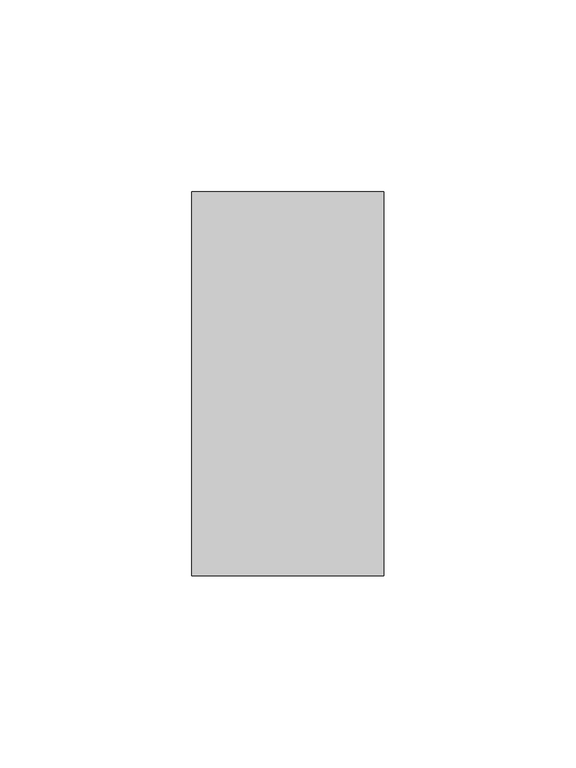
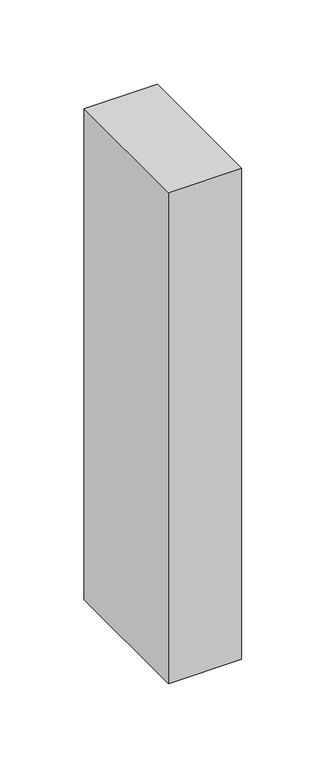
"""IFC4 building model written with IfcOpenShell, lengths in millimetres: member geometry."""

from ifc_helpers import new_model, si_unit, frame, origin, place, context, project, spatial, polyline, outline, extrude, source, transform, mapped, element, save


def member_7090bf6a(model_context):
    return source(origin(), model_context, "Body", "SweptSolid", [
        extrude(outline(polyline([(25.0, 50.0), (25.0, -50.0), (-25.0, -50.0), (-25.0, 50.0), (25.0, 50.0)])), frame((0.0, 0.0, -355.0), z_axis=(0.0, 0.0, 1.0), x_axis=(1.0, 0.0, 0.0)), (0.0, 0.0, 1.0), 355.0),
    ])


if __name__ == "__main__":
    model = new_model("IFC4")
    model_context = context("Model", 3, world=origin())
    ifc_project = project(units=[si_unit("LENGTHUNIT", "METRE", prefix="MILLI")], contexts=[model_context])
    site = spatial("IfcSite", under=ifc_project)
    building = spatial("IfcBuilding", under=site)
    placement = place(None, origin())
    member_shape = member_7090bf6a(model_context)
    element("IfcMember", 1, at=placement, inside=building, context=model_context, shape_type="MappedRepresentation", body=[
        mapped(member_shape, transform((0.0, 0.0, 0.0), x_axis=(1.0, 0.0, 0.0), y_axis=(0.0, 1.0, 0.0), z_axis=(0.0, 0.0, 1.0))),
    ])
    save(model, "model.ifc")
